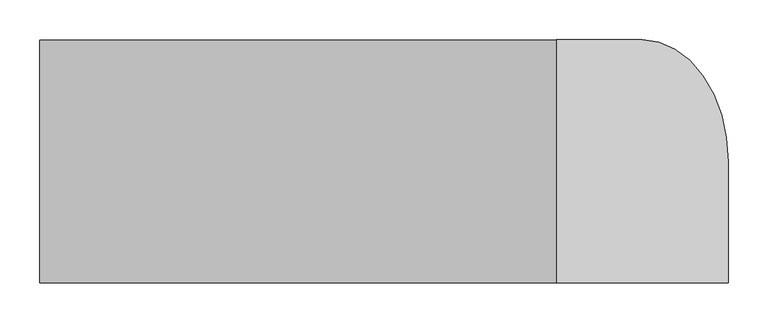
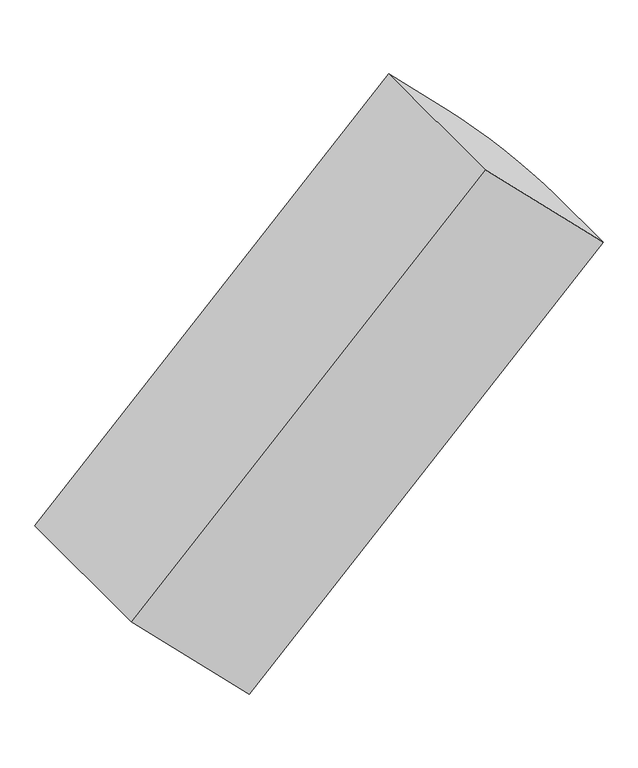
"""IFC4 building model written with IfcOpenShell, lengths in millimetres: proxy geometry."""

from ifc_helpers import new_model, si_unit, point, frame, frame_2d, origin, place, context, project, spatial, polyline, circle_curve, trimmed, segment, composite_curve, outline, extrude, source, transform, mapped, element, save


def generic_models_2c9ad629(model_context):
    return source(origin(), model_context, "Body", "SweptSolid", [
        extrude(outline(composite_curve([segment(polyline([(0.0, 0.0), (0.0, -304.8), (-304.8, -304.8), (-304.8, -152.4)]), True, "CONTINUOUS"), segment(trimmed(circle_curve(frame_2d((-152.4, -152.4)), 152.4), [point((-304.8, -152.4))], [point((-152.4, 0.0))], False, "CARTESIAN"), True, "CONTINUOUS"), segment(polyline([(-152.4, 0.0), (0.0, 0.0)]), True, "CONTINUOUS")], self_intersect=False)), frame((-215.5261469, -152.4, 1245.3477062), z_axis=(0.707106781186548, 0.0, 0.707106781186547), x_axis=(0.0, -1.0, 0.0)), (0.0, 0.0, 1.0), 914.4),
    ])


if __name__ == "__main__":
    model = new_model("IFC4")
    model_context = context("Model", 3, world=origin())
    ifc_project = project(units=[si_unit("LENGTHUNIT", "METRE", prefix="MILLI")], contexts=[model_context])
    site = spatial("IfcSite", under=ifc_project)
    building = spatial("IfcBuilding", under=site)
    placement = place(None, origin())
    generic_models_shape = generic_models_2c9ad629(model_context)
    element("IfcBuildingElementProxy", 1, Name="Generic Models", at=placement, inside=building, context=model_context, shape_type="MappedRepresentation", body=[
        mapped(generic_models_shape, transform((0.0, 0.0, 0.0), x_axis=(1.0, 0.0, 0.0), y_axis=(0.0, 1.0, 0.0), z_axis=(0.0, 0.0, 1.0))),
    ])
    save(model, "model.ifc")
